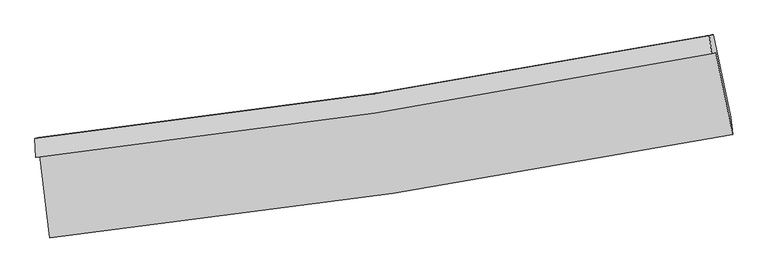
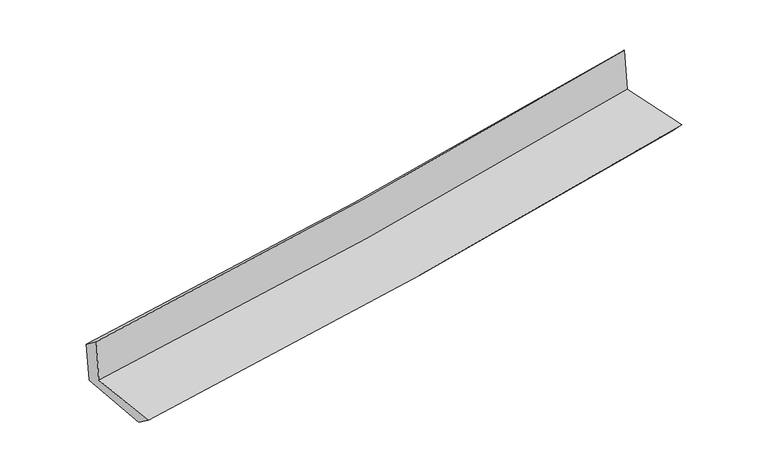
"""IFC4 building model written with IfcOpenShell, lengths in millimetres: proxy geometry."""

from ifc_helpers import new_model, si_unit, frame, origin, place, context, project, spatial, source, transform, mapped, element, save
from ifc_brep_helpers import plane_surface, spline_curve, spline_surface, advanced_brep


def generic_models_420bcb18(model_context):
    return source(origin(), model_context, "Body", "AdvancedBrep", [
        advanced_brep(
        [(-2703.2942483, -1886.8245944, 1654.3261385), (-2625.2737831, -2541.376731, 1629.0080799), (2779.2770869, -1722.3727824, 2130.5999723), (2646.3569639, -1076.7599511, 2131.200087), (-2734.2786282, -1905.8928103, 2051.818137), (2613.2859449, -1085.3562956, 2527.9123655), (-2742.290702, -1756.9626343, 1940.9508937), (2596.4275581, -942.109591, 2384.1918791), (-2712.1843022, -1749.3111773, 1569.825417), (2626.4956957, -934.5474582, 2024.09588), (-2632.766061, -2405.8389752, 1530.5135024), (2763.786297, -1586.8435891, 1989.3921819)],
        [
            (0, 1),
            (1, 2, spline_curve(3, [(-2625.2737831, -2541.376731, 1629.0080799), (-1718.154011445, -2443.2355073, 1714.867678685), (-814.056099218, -2325.883525174, 1799.611242931), (987.45657029, -2052.854953142, 1966.806956915), (1884.875614594, -1897.205619338, 2049.26069026), (2779.2770869, -1722.3727824, 2130.5999723)], [4, 2, 4], [0.0, 8.962699607075487, 17.919038954653722])),
            (2, 3),
            (3, 0, spline_curve(3, [(2646.3569639, -1076.7599511, 2131.200087), (1760.426504228, -1245.909086729, 2047.560083193), (871.816193927, -1397.971147727, 1966.013947319), (-911.397069187, -1668.016972681, 1807.052989806), (-1806.00382957, -1785.976459152, 1729.641142708), (-2703.2942483, -1886.8245944, 1654.3261385)], [4, 2, 4], [0.0, 8.956339347578234, 17.919038954653722])),
            (4, 0),
            (3, 5),
            (5, 4, spline_curve(3, [(2613.2859449, -1085.3562956, 2527.9123655), (1727.94294443, -1260.021214056, 2450.508729182), (839.800231181, -1415.714182396, 2372.146814289), (-942.7173155, -1689.253308939, 2213.450099827), (-1837.096126561, -1807.072512531, 2133.113938377), (-2734.2786282, -1905.8928103, 2051.818137)], [4, 2, 4], [0.0, 8.908645375976095, 17.823617142027565])),
            (6, 4),
            (5, 7),
            (7, 6, spline_curve(3, [(2596.4275581, -942.109591, 2384.1918791), (1711.863020532, -1114.181107188, 2315.006108137), (824.84634637, -1268.103627503, 2243.490411545), (-954.722923015, -1539.747094378, 2095.746726486), (-1847.279002243, -1657.442255401, 2019.51542793), (-2742.290702, -1756.9626343, 1940.9508937)], [4, 2, 4], [0.0, 8.898168819226337, 17.80265658870057])),
            (8, 6),
            (7, 9),
            (9, 8, spline_curve(3, [(2626.4956957, -934.5474582, 2024.09588), (1741.924324318, -1106.615097546, 1953.394639782), (854.907418307, -1260.528240447, 1880.202468901), (-924.649106229, -1532.141940469, 1728.782520062), (-1817.19219954, -1649.816703979, 1650.551203349), (-2712.1843022, -1749.3111773, 1569.825417)], [4, 2, 4], [0.0, 8.888672228194412, 17.783656662722613])),
            (10, 8),
            (9, 11),
            (11, 10, spline_curve(3, [(2763.786297, -1586.8435891, 1989.3921819), (1870.366701793, -1761.60761324, 1917.854134781), (974.104839588, -1917.221815731, 1843.859666325), (-824.741908063, -2190.247485355, 1690.903596401), (-1727.330831981, -2307.631745165, 1611.938504942), (-2632.766061, -2405.8389752, 1530.5135024)], [4, 2, 4], [0.0, 8.937109157713875, 17.88056491878794])),
            (1, 10),
            (11, 2),
        ],
        [
            spline_surface(3, 3, [[(-2703.2942483, -1886.8245944, 1654.3261385), (-1806.003829649, -1785.976459208, 1729.641142608), (-911.397069265, -1668.016972613, 1807.052989684), (871.816194005, -1397.971147794, 1966.013947441), (1760.426504297, -1245.909086597, 2047.560083224), (2646.3569639, -1076.7599511, 2131.200087)], [(-2677.287426543, -2105.008639953, 1645.88678562), (-1776.720556896, -2005.062808604, 1724.716654629), (-878.950079237, -1887.305823452, 1804.572407423), (910.362986052, -1616.265749617, 1966.278283956), (1801.909541032, -1463.00793082, 2048.126952242), (2690.663671547, -1291.964228179, 2131.000048782)], [(-2651.280604857, -2323.192685447, 1637.44743278), (-1747.437284216, -2224.149157943, 1719.79216669), (-846.503089157, -2106.594674253, 1802.091825141), (948.909778153, -1834.560351402, 1966.542620451), (1843.392577828, -1680.106775105, 2048.693821214), (2734.970379253, -1507.168505321, 2130.800010518)], [(-2625.2737831, -2541.376731, 1629.0080799), (-1718.154011463, -2443.235507339, 1714.867678711), (-814.056099129, -2325.883525092, 1799.61124288), (987.4565702, -2052.854953224, 1966.806956966), (1884.875614563, -1897.205619327, 2049.260690232), (2779.2770869, -1722.3727824, 2130.5999723)]], [4, 4], [4, 2, 4], [0.0, 2.1816468193103433], [0.0, 8.962699607075487, 17.919038954653722]),
            spline_surface(3, 3, [[(-2734.2786282, -1905.8928103, 2051.818137), (-1837.096126543, -1807.07251241, 2133.113938271), (-942.717315438, -1689.253308976, 2213.450099726), (839.800231118, -1415.714182359, 2372.146814391), (1727.942944419, -1260.021214188, 2450.50872909), (2613.2859449, -1085.3562956, 2527.9123655)], [(-2723.950501591, -1899.536738334, 1919.320804155), (-1826.732027603, -1800.040494677, 1998.623006371), (-932.27723336, -1682.174530169, 2077.984396373), (850.472218767, -1409.799837485, 2236.769192069), (1738.770797735, -1255.317171651, 2316.192513771), (2624.309617924, -1082.490847427, 2395.674939302)], [(-2713.622374909, -1893.180666366, 1786.823471345), (-1816.367928589, -1793.008476941, 1864.132074507), (-921.837151342, -1675.09575142, 1942.518693037), (861.144206356, -1403.885492669, 2101.391569763), (1749.59865098, -1250.613129134, 2181.876298544), (2635.333290876, -1079.625399273, 2263.437513198)], [(-2703.2942483, -1886.8245944, 1654.3261385), (-1806.003829649, -1785.976459208, 1729.641142608), (-911.397069265, -1668.016972613, 1807.052989684), (871.816194005, -1397.971147794, 1966.013947441), (1760.426504297, -1245.909086597, 2047.560083224), (2646.3569639, -1076.7599511, 2131.200087)]], [4, 4], [4, 2, 4], [0.0, 1.33846231607205], [0.0, 8.91497176605147, 17.823617142027565]),
            spline_surface(3, 3, [[(-2742.290702, -1756.9626343, 1940.9508937), (-1847.279002264, -1657.442255257, 2019.515428068), (-954.722923025, -1539.747094399, 2095.746726608), (824.84634638, -1268.103627483, 2243.490411423), (1711.863020511, -1114.181107218, 2315.006108005), (2596.4275581, -942.109591, 2384.1918791)], [(-2739.620010728, -1806.606026298, 1977.906641482), (-1843.884710352, -1707.319007639, 2057.381598151), (-950.721053825, -1589.58249926, 2134.981184305), (829.830974631, -1317.307145777, 2286.37587907), (1717.222995134, -1162.794476213, 2360.173648382), (2602.047020353, -989.858492539, 2432.098707915)], [(-2736.949319472, -1856.249418302, 2014.862389218), (-1840.490418455, -1757.195760028, 2095.247768188), (-946.719184638, -1639.417904114, 2174.215642029), (834.815602868, -1366.510664065, 2329.261346744), (1722.582969796, -1211.407845193, 2405.341188713), (2607.666482647, -1037.607394061, 2480.005536685)], [(-2734.2786282, -1905.8928103, 2051.818137), (-1837.096126543, -1807.07251241, 2133.113938271), (-942.717315438, -1689.253308976, 2213.450099726), (839.800231118, -1415.714182359, 2372.146814391), (1727.942944419, -1260.021214188, 2450.50872909), (2613.2859449, -1085.3562956, 2527.9123655)]], [4, 4], [4, 2, 4], [0.0, 0.634686054517638], [0.0, 8.904487769474235, 17.80265658870057]),
            spline_surface(3, 3, [[(-2712.1843022, -1749.3111773, 1569.825417), (-1817.192199603, -1649.81670402, 1650.551203437), (-924.649106312, -1532.141940465, 1728.782520183), (854.90741839, -1260.528240451, 1880.202468779), (1741.924324435, -1106.615097649, 1953.394639685), (2626.4956957, -934.5474582, 2024.09588)], [(-2722.219768804, -1751.861662971, 1693.533909223), (-1827.221133827, -1652.358554436, 1773.539278304), (-934.67371191, -1534.676991799, 1851.103922318), (844.887061026, -1263.053369484, 2001.298449654), (1731.903889807, -1109.13710086, 2073.93179578), (2616.47298318, -937.068169154, 2144.127879689)], [(-2732.255235396, -1754.412148629, 1817.242401477), (-1837.25006804, -1654.900404841, 1896.527353201), (-944.698317427, -1537.212043065, 1973.425324473), (834.866703744, -1265.578498449, 2122.394430549), (1721.88345514, -1111.659104007, 2194.46895191), (2606.45027062, -939.588880046, 2264.159879411)], [(-2742.290702, -1756.9626343, 1940.9508937), (-1847.279002264, -1657.442255257, 2019.515428068), (-954.722923025, -1539.747094399, 2095.746726608), (824.84634638, -1268.103627483, 2243.490411423), (1711.863020511, -1114.181107218, 2315.006108005), (2596.4275581, -942.109591, 2384.1918791)]], [4, 4], [4, 2, 4], [0.0, 1.2022372091952627], [0.0, 8.894984434528201, 17.783656662722613]),
            spline_surface(3, 3, [[(-2632.766061, -2405.8389752, 1530.5135024), (-1727.330832074, -2307.631745165, 1611.938505024), (-824.741908109, -2190.24748545, 1690.903596464), (974.104839634, -1917.221815636, 1843.859666262), (1870.366701681, -1761.607613308, 1917.854134632), (2763.786297, -1586.8435891, 1989.3921819)], [(-2659.238808063, -2186.996375899, 1543.61747394), (-1757.284621247, -2088.360064783, 1624.809404501), (-858.044307503, -1970.878970441, 1703.529904373), (934.372365894, -1698.323957227, 1855.97393377), (1827.552575924, -1543.276774744, 1929.700969651), (2718.022763225, -1369.411545456, 2000.960081268)], [(-2685.711555137, -1968.153776601, 1556.72144546), (-1787.23841043, -1869.088384403, 1637.680303959), (-891.346706918, -1751.510455475, 1716.156212274), (894.639892131, -1479.42609886, 1868.088201271), (1784.738450192, -1324.945936213, 1941.547804666), (2672.259229475, -1151.979501844, 2012.527980632)], [(-2712.1843022, -1749.3111773, 1569.825417), (-1817.192199603, -1649.81670402, 1650.551203437), (-924.649106312, -1532.141940465, 1728.782520183), (854.90741839, -1260.528240451, 1880.202468779), (1741.924324435, -1106.615097649, 1953.394639685), (2626.4956957, -934.5474582, 2024.09588)]], [4, 4], [4, 2, 4], [0.0, 2.1899509350938673], [0.0, 8.943455761074064, 17.88056491878794]),
            spline_surface(3, 3, [[(-2625.2737831, -2541.376731, 1629.0080799), (-1718.154011463, -2443.235507339, 1714.867678711), (-814.056099129, -2325.883525092, 1799.61124288), (987.4565702, -2052.854953224, 1966.806956966), (1884.875614563, -1897.205619327, 2049.260690232), (2779.2770869, -1722.3727824, 2130.5999723)], [(-2627.771209071, -2496.197479046, 1596.176554081), (-1721.212951671, -2398.03425326, 1680.557954163), (-817.618035442, -2280.671511874, 1763.375360753), (983.005993358, -2007.643907358, 1925.824526743), (1880.039310274, -1852.006283999, 2005.458505042), (2774.113490272, -1677.196384645, 2083.530708843)], [(-2630.268635029, -2451.018227154, 1563.345028219), (-1724.271891866, -2352.832999244, 1646.248229572), (-821.179971796, -2235.459498668, 1727.13947859), (978.555416476, -1962.432861502, 1884.842096485), (1875.20300597, -1806.806948636, 1961.656319822), (2768.949893628, -1632.019986855, 2036.461445357)], [(-2632.766061, -2405.8389752, 1530.5135024), (-1727.330832074, -2307.631745165, 1611.938505024), (-824.741908109, -2190.24748545, 1690.903596464), (974.104839634, -1917.221815636, 1843.859666262), (1870.366701681, -1761.607613308, 1917.854134632), (2763.786297, -1586.8435891, 1989.3921819)]], [4, 4], [4, 2, 4], [0.0, 0.5864908695586113], [0.0, 9.00064180420464, 17.994896423741018]),
            plane_surface(frame((2670.9382578, -1224.6649446, 2197.8987276), z_axis=(0.9758691375183258, 0.20083432025969483, 0.08570298854220665), x_axis=(-0.08319254072831608, -0.020922913662979395, 0.9963138224731298))),
            plane_surface(frame((-2691.6812875, -2041.0344871, 1729.4070281), z_axis=(-0.9899424922385356, -0.11480011160292429, -0.08267282767943152), x_axis=(-0.11827166484526987, 0.9922392882460573, 0.03837978837468888))),
        ],
        [
            (0, [[1, 2, 3, 4]]),
            (1, [[5, -4, 6, 7]]),
            (2, [[8, -7, 9, 10]]),
            (3, [[11, -10, 12, 13]]),
            (4, [[14, -13, 15, 16]]),
            (5, [[17, -16, 18, -2]]),
            (6, [[-12, -9, -6, -3, -18, -15]]),
            (7, [[-1, -5, -8, -11, -14, -17]]),
        ],
    ),
    ])


if __name__ == "__main__":
    model = new_model("IFC4")
    model_context = context("Model", 3, world=origin())
    ifc_project = project(units=[si_unit("LENGTHUNIT", "METRE", prefix="MILLI")], contexts=[model_context])
    site = spatial("IfcSite", under=ifc_project)
    building = spatial("IfcBuilding", under=site)
    placement = place(None, origin())
    generic_models_shape = generic_models_420bcb18(model_context)
    element("IfcBuildingElementProxy", 1, Name="Generic Models", at=placement, inside=building, context=model_context, shape_type="MappedRepresentation", body=[
        mapped(generic_models_shape, transform((0.0, 0.0, 0.0), x_axis=(1.0, 0.0, 0.0), y_axis=(0.0, 1.0, 0.0), z_axis=(0.0, 0.0, 1.0))),
    ])
    save(model, "model.ifc")
